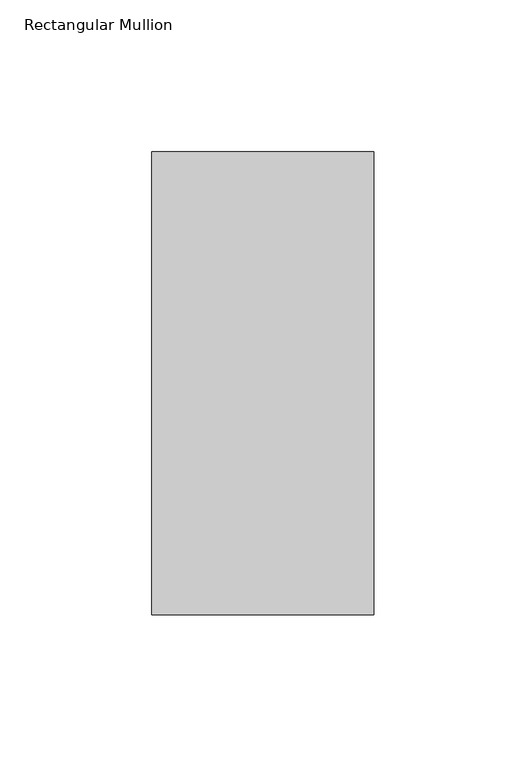
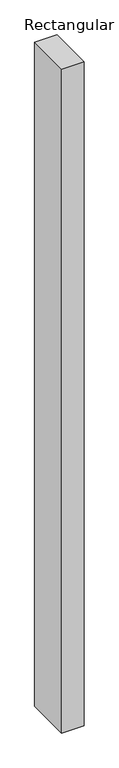
"""IFC4 building model written with IfcOpenShell, lengths in millimetres: member geometry, Rectangular Mullion."""

from ifc_helpers import new_model, si_unit, frame, origin, place, context, project, spatial, polyline, outline, extrude, source, transform, mapped, element, save


def rectangular_mullion_554df564(model_context):
    return source(origin(), model_context, "Body", "SweptSolid", [
        extrude(outline(polyline([(0.0, -26.19375), (-73.025, -26.19375), (-73.025, 126.20625), (0.0, 126.20625), (0.0, -26.19375)])), frame((0.0, 0.0, -2286.0), z_axis=(0.0, 0.0, 1.0), x_axis=(1.0, 0.0, 0.0)), (0.0, 0.0, 1.0), 2286.0),
    ])


if __name__ == "__main__":
    model = new_model("IFC4")
    model_context = context("Model", 3, world=origin())
    ifc_project = project(units=[si_unit("LENGTHUNIT", "METRE", prefix="MILLI")], contexts=[model_context])
    site = spatial("IfcSite", under=ifc_project)
    building = spatial("IfcBuilding", under=site)
    placement = place(None, origin())
    rectangular_mullion_shape = rectangular_mullion_554df564(model_context)
    element("IfcMember", 1, ObjectType="Rectangular Mullion", at=placement, inside=building, context=model_context, shape_type="MappedRepresentation", body=[
        mapped(rectangular_mullion_shape, transform((0.0, 0.0, 0.0), x_axis=(1.0, 0.0, 0.0), y_axis=(0.0, 1.0, 0.0), z_axis=(0.0, 0.0, 1.0))),
    ])
    save(model, "model.ifc")
